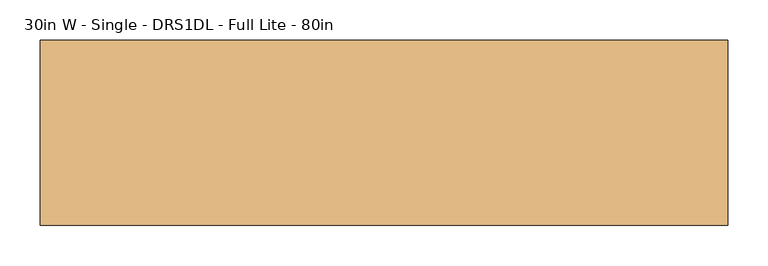
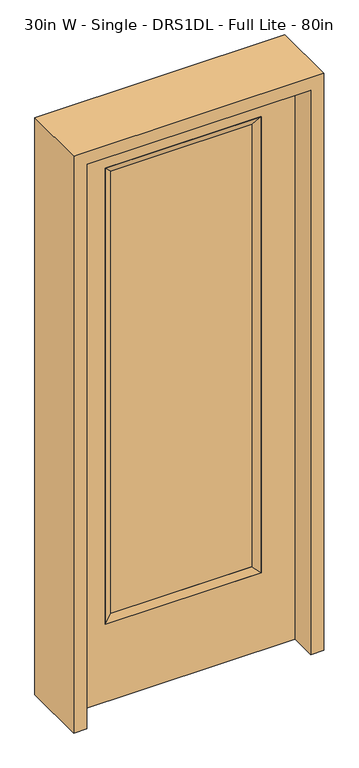
"""IFC4 building model written with IfcOpenShell, lengths in millimetres: door geometry, 30in W - Single - DRS1DL - Full Lite - 80in."""

from ifc_helpers import new_model, si_unit, frame, origin, place, context, project, spatial, polyline, outline, extrude, faceted_brep, source, transform, mapped, element, save


def door_30in_w_single_drs1dl_full_lite_80in_cef2242e(model_context):
    return source(origin(), model_context, "Body", "SolidModel", [
        extrude(outline(polyline([(240.1824, -12.7039749), (-240.1824, -12.7039749), (-240.1824, 14.2875), (240.1824, 14.2875), (240.1824, -12.7039749)])), frame((0.0, 0.0, 304.8), z_axis=(0.0, 0.0, 1.0), x_axis=(1.0, 0.0, 0.0)), (0.0, 0.0, 1.0), 1591.1576),
        faceted_brep([(240.1824, 14.2875, 1895.9576), (265.5824, 22.225, 1921.3576), (265.5824, 22.225, 279.4), (240.1824, 14.2875, 304.8), (265.5824, -22.225, 1921.3576), (265.5824, -22.225, 279.4), (-265.5824, 22.225, 279.4), (-240.1824, 14.2875, 304.8), (240.1824, -12.7039749, 1895.9576), (240.1824, -12.7039749, 304.8), (-240.1824, -12.7039749, 304.8), (-265.5824, -22.225, 279.4), (-265.5824, 22.225, 1921.3576), (-240.1824, 14.2875, 1895.9576), (-240.1824, -12.7039749, 1895.9576), (-265.5824, -22.225, 1921.3576)], [[[0, 1, 2, 3]], [[1, 4, 5, 2]], [[3, 2, 6, 7]], [[8, 0, 3, 9]], [[9, 3, 7, 10]], [[4, 8, 9, 5]], [[5, 9, 10, 11]], [[2, 5, 11, 6]], [[7, 6, 12, 13]], [[10, 7, 13, 14]], [[11, 10, 14, 15]], [[6, 11, 15, 12]], [[13, 12, 1, 0]], [[14, 13, 0, 8]], [[15, 14, 8, 4]], [[12, 15, 4, 1]]]),
        extrude(outline(polyline([(0.0, -381.0), (0.0, 381.0), (2032.0, 381.0), (2032.0, -381.0), (0.0, -381.0)]), holes=[polyline([(279.4, -265.5824), (1921.3576, -265.5824), (1921.3576, 265.5824), (279.4, 265.5824), (279.4, -265.5824)])]), frame((0.0, -22.225, 0.0), z_axis=(0.0, 1.0, 0.0), x_axis=(0.0, 0.0, 1.0)), (0.0, 0.0, 1.0), 44.45),
        extrude(outline(polyline([(0.0, -425.45), (0.0, -381.0), (2032.0, -381.0), (2032.0, 381.0), (0.0, 381.0), (0.0, 425.45), (2076.45, 425.45), (2076.45, -425.45), (0.0, -425.45)])), frame((0.0, -114.3, 0.0), z_axis=(0.0, 1.0, 0.0), x_axis=(0.0, 0.0, 1.0)), (0.0, 0.0, 1.0), 228.6),
    ])


if __name__ == "__main__":
    model = new_model("IFC4")
    model_context = context("Model", 3, world=origin())
    ifc_project = project(units=[si_unit("LENGTHUNIT", "METRE", prefix="MILLI")], contexts=[model_context])
    site = spatial("IfcSite", under=ifc_project)
    building = spatial("IfcBuilding", under=site)
    placement = place(None, origin())
    door_30in_w_single_drs1dl_full_lite_80in_shape = door_30in_w_single_drs1dl_full_lite_80in_cef2242e(model_context)
    element("IfcDoor", 1, ObjectType="30in W - Single - DRS1DL - Full Lite - 80in", at=placement, inside=building, context=model_context, shape_type="MappedRepresentation", body=[
        mapped(door_30in_w_single_drs1dl_full_lite_80in_shape, transform((0.0, 0.0, 0.0), x_axis=(1.0, 0.0, 0.0), y_axis=(0.0, 1.0, 0.0), z_axis=(0.0, 0.0, 1.0))),
    ])
    save(model, "model.ifc")
